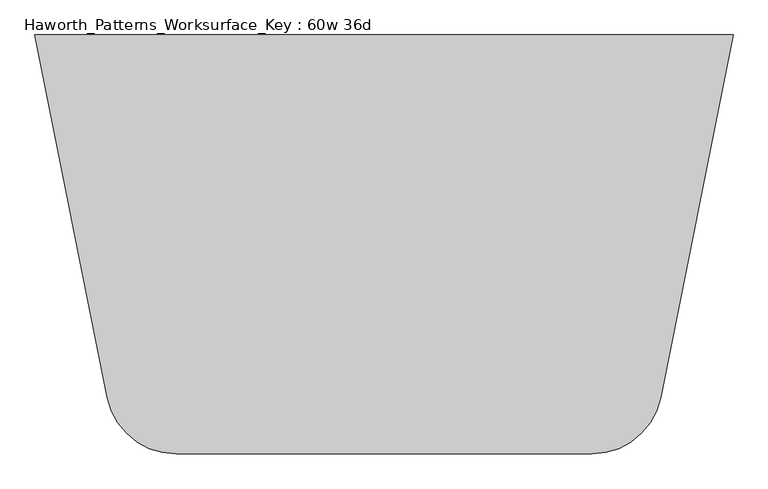
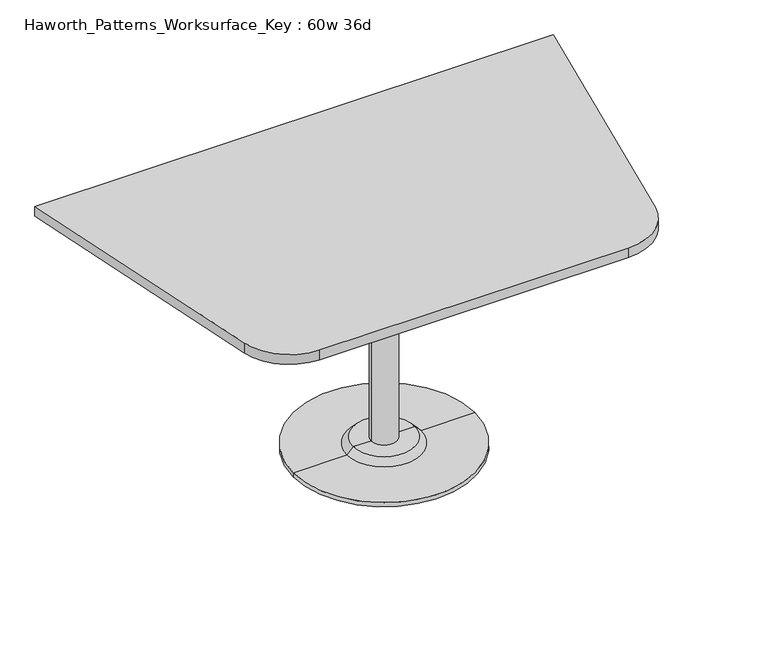
"""IFC4 building model written with IfcOpenShell, lengths in millimetres: furniture geometry, Haworth_Patterns_Worksurface_Key : 60w 36d."""

import ifcopenshell
import ifcopenshell.guid

model = None  # the IFC model being written
_history = None  # IfcOwnerHistory: only IFC2X3 demands one
_inside = {}  # id of a spatial element -> (the spatial element, [elements in it])
_under = {}  # id of a project, library or spatial element -> (it, [spatial elements below it])
_declared = {}  # id of a project -> (the project, [libraries it declares])
_typed = {}  # id of a type object -> (the type object, [elements of that type])
_made_of = {}  # id of a material, layer set ... -> (it, [elements and type objects made of it])


def new_model(schema):
    """Start an empty IFC model of exactly this schema.

    Asked for "IFC4X3", IfcOpenShell would pick the latest addendum, in which some entities
    have other attributes; the version numbers below select the first issue.
    IFC2X3 requires an IfcOwnerHistory on every rooted entity: one is made here for all.
    """
    global model, _history
    if schema == "IFC4X3":
        model = ifcopenshell.file(schema_version=(4, 3, 0, 0))
    else:
        model = ifcopenshell.file(schema=schema)
    _inside.clear()
    _under.clear()
    _declared.clear()
    _typed.clear()
    _made_of.clear()
    _history = None
    if model.schema == "IFC2X3":
        org = make("IfcOrganization", Name="unknown")
        user = make(
            "IfcPersonAndOrganization",
            ThePerson=make("IfcPerson", FamilyName="unknown"),
            TheOrganization=org,
        )
        app = make(
            "IfcApplication",
            ApplicationDeveloper=org,
            Version="unknown",
            ApplicationFullName="unknown",
            ApplicationIdentifier="unknown",
        )
        _history = make(
            "IfcOwnerHistory",
            OwningUser=user,
            OwningApplication=app,
            ChangeAction="ADDED",
            CreationDate=0,
        )
    return model


def make(cls, **values):
    """One entity of the class cls with the attributes given. An attribute that is None is left unset."""
    return model.create_entity(
        cls, **{name: value for name, value in values.items() if value is not None}
    )


def rooted(cls, **values):
    """An entity with a GlobalId (a new one), such as an element, a storey or a relation."""
    return make(cls, GlobalId=ifcopenshell.guid.new(), OwnerHistory=_history, **values)


def si_unit(unit_type, name, prefix=None):
    """IfcSIUnit, for example si_unit("LENGTHUNIT", "METRE", prefix="MILLI")."""
    return make("IfcSIUnit", UnitType=unit_type, Prefix=prefix, Name=name)


def assignment(units):
    """IfcUnitAssignment: the units of a project."""
    return None if units is None else make("IfcUnitAssignment", Units=units)


def point(xyz):
    """IfcCartesianPoint."""
    return None if xyz is None else make("IfcCartesianPoint", Coordinates=xyz)


def direction(xyz):
    """IfcDirection."""
    return None if xyz is None else make("IfcDirection", DirectionRatios=xyz)


def frame(location, z_axis=None, x_axis=None):
    """IfcAxis2Placement3D, a coordinate frame: its origin and axes. An axis left out is left unset."""
    return make(
        "IfcAxis2Placement3D",
        Location=point(location),
        Axis=direction(z_axis),
        RefDirection=direction(x_axis),
    )


def frame_2d(location, x_axis=None):
    """IfcAxis2Placement2D, a coordinate frame in the plane: its origin and x axis."""
    return make(
        "IfcAxis2Placement2D", Location=point(location), RefDirection=direction(x_axis)
    )


def origin():
    """The frame at (0, 0, 0) with its axes left unset."""
    return frame((0.0, 0.0, 0.0))


def place(relative_to, where):
    """IfcLocalPlacement: puts the frame where relative to a parent placement (None: the world)."""
    return make(
        "IfcLocalPlacement", PlacementRelTo=relative_to, RelativePlacement=where
    )


def context(
    kind, dimensions, precision=None, world=None, true_north=None, identifier=None
):
    """IfcGeometricRepresentationContext, for example the 3D "Model" context."""
    return make(
        "IfcGeometricRepresentationContext",
        ContextIdentifier=identifier,
        ContextType=kind,
        CoordinateSpaceDimension=dimensions,
        Precision=precision,
        WorldCoordinateSystem=world,
        TrueNorth=true_north,
    )


def project(units=None, contexts=None):
    """IfcProject with its units and contexts."""
    return rooted(
        "IfcProject",
        Name="project",
        RepresentationContexts=contexts,
        UnitsInContext=assignment(units),
    )


def spatial(cls, under=None, at=None, **own):
    """A site, building, storey or space (cls), placed at a placement, below another one or the project."""
    s = rooted(cls, ObjectPlacement=at, **own)
    if under is not None:
        _under.setdefault(under.id(), (under, []))[1].append(s)
    return s


def polyline(points):
    """IfcPolyline through the points."""
    return make("IfcPolyline", Points=[point(p) for p in points])


def circle_curve(where, radius):
    """IfcCircle in the frame where."""
    return make("IfcCircle", Position=where, Radius=radius)


def trimmed(basis, trim1, trim2, sense, master):
    """IfcTrimmedCurve: the piece of a basis curve between two trims."""
    return make(
        "IfcTrimmedCurve",
        BasisCurve=basis,
        Trim1=trim1,
        Trim2=trim2,
        SenseAgreement=sense,
        MasterRepresentation=master,
    )


def segment(curve, same_sense, transition):
    """IfcCompositeCurveSegment."""
    return make(
        "IfcCompositeCurveSegment",
        Transition=transition,
        SameSense=same_sense,
        ParentCurve=curve,
    )


def composite_curve(segments, self_intersect=None):
    """IfcCompositeCurve: segments joined end to end."""
    return make("IfcCompositeCurve", Segments=segments, SelfIntersect=self_intersect)


def outline(outer, holes=None, kind="AREA"):
    """IfcArbitraryClosedProfileDef: a profile drawn as a closed curve; with holes, ...WithVoids."""
    if holes is None:
        return make("IfcArbitraryClosedProfileDef", ProfileType=kind, OuterCurve=outer)
    return make(
        "IfcArbitraryProfileDefWithVoids",
        ProfileType=kind,
        OuterCurve=outer,
        InnerCurves=holes,
    )


def extrude(swept, where, along, depth):
    """IfcExtrudedAreaSolid: the profile swept, set in the frame where, extruded along a direction by depth."""
    return make(
        "IfcExtrudedAreaSolid",
        SweptArea=swept,
        Position=where,
        ExtrudedDirection=direction(along),
        Depth=depth,
    )


def shape(context_of_items, identifier, shape_type, items):
    """IfcShapeRepresentation: the items that make up one representation, for example the "Body"."""
    return make(
        "IfcShapeRepresentation",
        ContextOfItems=context_of_items,
        RepresentationIdentifier=identifier,
        RepresentationType=shape_type,
        Items=items,
    )


def source(mapping_origin, context_of_items, identifier, shape_type, items):
    """IfcRepresentationMap: a shape defined once, which mapped items show again and again."""
    return make(
        "IfcRepresentationMap",
        MappingOrigin=mapping_origin,
        MappedRepresentation=shape(context_of_items, identifier, shape_type, items),
    )


def transform(
    local_origin,
    x_axis=None,
    y_axis=None,
    z_axis=None,
    scale=None,
    scale2=None,
    scale3=None,
    uniform=True,
):
    """IfcCartesianTransformationOperator3D, or its non-uniform kind. x_axis, y_axis, z_axis: its Axis1, 2, 3."""
    if uniform:
        return make(
            "IfcCartesianTransformationOperator3D",
            Axis1=direction(x_axis),
            Axis2=direction(y_axis),
            LocalOrigin=point(local_origin),
            Scale=scale,
            Axis3=direction(z_axis),
        )
    return make(
        "IfcCartesianTransformationOperator3DnonUniform",
        Axis1=direction(x_axis),
        Axis2=direction(y_axis),
        LocalOrigin=point(local_origin),
        Scale=scale,
        Axis3=direction(z_axis),
        Scale2=scale2,
        Scale3=scale3,
    )


def mapped(mapping_source, mapping_target):
    """IfcMappedItem: shows the shape of a source again, moved by a transform."""
    return make(
        "IfcMappedItem", MappingSource=mapping_source, MappingTarget=mapping_target
    )


def made_of(thing, what):
    """Note that an element or type object is made of a material, layer set ...; save() writes the relation."""
    if what is not None:
        _made_of.setdefault(what.id(), (what, []))[1].append(thing)
    return thing


def element(
    cls,
    number,
    at=None,
    inside=None,
    cuts=None,
    type_object=None,
    material=None,
    context=None,
    identifier="Body",
    shape_type=None,
    held_by="IfcProductDefinitionShape",
    body=None,
    shapes=None,
    **own,
):
    """One element of the class cls, such as IfcWall. Its Tag is "e" and its number.

    at: its placement. inside: the storey or other place that contains it. cuts: it is an
    opening in that element (IfcRelVoidsElement). A single representation is given by context,
    identifier, shape_type and body (its items); several are given by shapes. held_by: the class
    of the entity that holds the representations. save() writes the other relations.
    """
    e = rooted(cls, Tag="e%d" % number, ObjectPlacement=at, **own)
    if body is not None:
        shapes = [shape(context, identifier, shape_type, body)]
    if shapes is not None:
        e.Representation = make(held_by, Representations=shapes)
    if inside is not None:
        _inside.setdefault(inside.id(), (inside, []))[1].append(e)
    if cuts is not None:
        rooted(
            "IfcRelVoidsElement", RelatingBuildingElement=cuts, RelatedOpeningElement=e
        )
    if type_object is not None:
        _typed.setdefault(type_object.id(), (type_object, []))[1].append(e)
    return made_of(e, material)


def aggregate(whole, parts):
    """IfcRelAggregates: a whole, such as a stair, and the parts it consists of."""
    return rooted("IfcRelAggregates", RelatingObject=whole, RelatedObjects=parts)


def save(model, path):
    """Write the relations noted so far, then the file.

    IfcRelAggregates (storeys below a building ...), IfcRelContainedInSpatialStructure (elements
    in a storey), IfcRelDefinesByType, IfcRelAssociatesMaterial and IfcRelDeclares: one each for
    every whole, place, type object, material and project.
    """
    for whole, parts in _under.values():
        aggregate(whole, parts)
    for where, things in _inside.values():
        rooted(
            "IfcRelContainedInSpatialStructure",
            RelatedElements=things,
            RelatingStructure=where,
        )
    for kind, things in _typed.values():
        rooted("IfcRelDefinesByType", RelatedObjects=things, RelatingType=kind)
    for what, things in _made_of.values():
        rooted("IfcRelAssociatesMaterial", RelatedObjects=things, RelatingMaterial=what)
    for by, libraries in _declared.values():
        rooted("IfcRelDeclares", RelatingContext=by, RelatedDefinitions=libraries)
    model.write(path)


def plane_surface(at):
    """IfcPlane: the flat surface through the origin of the frame at, square to its z axis."""
    return make("IfcPlane", Position=at)


def cylinder_surface(at, radius):
    """IfcCylindricalSurface: all points at the distance radius from the z axis of the frame at."""
    return make("IfcCylindricalSurface", Position=at, Radius=radius)


def revolved_surface(curve, axis_point, axis_direction):
    """IfcSurfaceOfRevolution: the curve turned about the line through axis_point along axis_direction."""
    return make(
        "IfcSurfaceOfRevolution",
        SweptCurve=make("IfcArbitraryOpenProfileDef", ProfileType="CURVE", Curve=curve),
        AxisPosition=make("IfcAxis1Placement", Location=point(axis_point), Axis=direction(axis_direction)),
    )


def advanced_brep(points, edges, surfaces, faces):
    """IfcAdvancedBrep: a solid bounded by faces that lie on surfaces and meet in shared edges.

    An edge is (start, end): straight between two places in points (the first is 0);
    or (start, end, curve); or (start, end, curve, False) where it runs against its curve.
    A face is (place in surfaces, loops), or (place, loops, False) where it looks against
    its surface's normal. A loop lists edges by number (the first is 1), with a minus sign
    where the edge is run from its end to its start. The first loop is the outer one.
    """
    corners = [point(p) for p in points]
    vertices = [make("IfcVertexPoint", VertexGeometry=c) for c in corners]
    made = []
    for start, end, *more in edges:
        made.append(
            make(
                "IfcEdgeCurve",
                EdgeStart=vertices[start],
                EdgeEnd=vertices[end],
                EdgeGeometry=more[0] if more else make("IfcPolyline", Points=[corners[start], corners[end]]),
                SameSense=more[1] if len(more) > 1 else True,
            )
        )
    hull = []
    for where, loops, *sense in faces:
        bounds = []
        for j, loop in enumerate(loops):
            ring = [make("IfcOrientedEdge", EdgeElement=made[abs(k) - 1], Orientation=k > 0) for k in loop]
            bounds.append(
                make(
                    "IfcFaceOuterBound" if j == 0 else "IfcFaceBound",
                    Bound=make("IfcEdgeLoop", EdgeList=ring),
                    Orientation=True,
                )
            )
        hull.append(make("IfcAdvancedFace", Bounds=bounds, FaceSurface=surfaces[where], SameSense=sense[0] if sense else True))
    return make("IfcAdvancedBrep", Outer=make("IfcClosedShell", CfsFaces=hull))


def haworth_patterns_worksurface_key_60w_36d_4189de21(model_context):
    return source(origin(), model_context, "Body", "SolidModel", [
        advanced_brep(
        [(38.1, 139.7, 706.4375), (-38.1, 139.7, 706.4375), (0.0, 139.7, 706.4375), (38.1, 139.7, 31.75), (-38.1, 139.7, 31.75), (89.723978, 139.7, 31.75), (-89.723978, 139.7, 31.75), (266.7, 139.7, 0.0), (-266.7, 139.7, 0.0), (-266.7, 139.7, 12.7), (266.7, 139.7, 12.7), (0.0, 139.7, 0.0), (108.773978, 139.7, 12.7), (-108.773978, 139.7, 12.7)],
        [
            (0, 1, circle_curve(frame((0.0, 139.7, 706.4375), z_axis=(0.0, 0.0, 1.0), x_axis=(-1.0, 0.0, 0.0)), 38.1)),
            (1, 2),
            (2, 0),
            (1, 0, circle_curve(frame((0.0, 139.7, 706.4375), z_axis=(0.0, 0.0, 1.0), x_axis=(-1.0, 0.0, 0.0)), 38.1)),
            (3, 4, circle_curve(frame((0.0, 139.7, 31.75), z_axis=(0.0, 0.0, 1.0), x_axis=(-1.0, 0.0, 0.0)), 38.1)),
            (4, 1),
            (0, 3),
            (4, 3, circle_curve(frame((0.0, 139.7, 31.75), z_axis=(0.0, 0.0, 1.0), x_axis=(-1.0, 0.0, 0.0)), 38.1)),
            (5, 6, circle_curve(frame((0.0, 139.7, 31.75), z_axis=(0.0, 0.0, 1.0), x_axis=(-1.0, 0.0, 0.0)), 89.723978)),
            (6, 4),
            (3, 5),
            (6, 5, circle_curve(frame((0.0, 139.7, 31.75), z_axis=(0.0, 0.0, 1.0), x_axis=(-1.0, 0.0, 0.0)), 89.723978)),
            (7, 8, circle_curve(frame((0.0, 139.7, 0.0), z_axis=(0.0, 0.0, 1.0), x_axis=(-1.0, 0.0, 0.0)), 266.7)),
            (8, 9),
            (9, 10, circle_curve(frame((0.0, 139.7, 12.7), z_axis=(0.0, 0.0, -1.0), x_axis=(-1.0, 0.0, 0.0)), 266.7)),
            (10, 7),
            (8, 7, circle_curve(frame((0.0, 139.7, 0.0), z_axis=(0.0, 0.0, 1.0), x_axis=(-1.0, 0.0, 0.0)), 266.7)),
            (10, 9, circle_curve(frame((0.0, 139.7, 12.7), z_axis=(0.0, 0.0, -1.0), x_axis=(-1.0, 0.0, 0.0)), 266.7)),
            (11, 8),
            (7, 11),
            (12, 13, circle_curve(frame((0.0, 139.7, 12.7), z_axis=(0.0, 0.0, 1.0), x_axis=(-1.0, 0.0, 0.0)), 108.773978)),
            (13, 6),
            (5, 12),
            (13, 12, circle_curve(frame((0.0, 139.7, 12.7), z_axis=(0.0, 0.0, 1.0), x_axis=(-1.0, 0.0, 0.0)), 108.773978)),
            (9, 13),
            (12, 10),
        ],
        [
            plane_surface(frame((0.0, 139.7, 706.4375), z_axis=(0.0, 0.0, 1.0), x_axis=(-1.0, 0.0, 0.0))),
            cylinder_surface(frame((0.0, 139.7, 889.623257), z_axis=(0.0, 0.0, -1.0), x_axis=(-1.0, 0.0, 0.0)), 38.1),
            plane_surface(frame((0.0, 139.7, 31.75), z_axis=(0.0, 0.0, 1.0), x_axis=(-1.0, 0.0, 0.0))),
            cylinder_surface(frame((0.0, 139.7, 889.623257), z_axis=(0.0, 0.0, -1.0), x_axis=(-1.0, 0.0, 0.0)), 266.7),
            plane_surface(frame((0.0, 139.7, 0.0), z_axis=(0.0, 0.0, -1.0), x_axis=(-1.0, 0.0, 0.0))),
            revolved_surface(polyline([(-89.723978, 139.7, 31.75), (-108.773978, 139.7, 12.7)]), (0.0, 139.7, 889.623257), (0.0, 0.0, -1.0)),
            plane_surface(frame((0.0, 139.7, 12.7), z_axis=(0.0, 0.0, 1.0), x_axis=(-1.0, 0.0, 0.0))),
        ],
        [
            (0, [[1, 2, 3]]),
            (0, [[4, -3, -2]]),
            (1, [[5, 6, -1, 7]]),
            (1, [[8, -7, -4, -6]]),
            (2, [[9, 10, -5, 11]]),
            (2, [[12, -11, -8, -10]]),
            (3, [[13, 14, 15, 16]]),
            (3, [[17, -16, 18, -14]]),
            (4, [[19, -13, 20]]),
            (4, [[-20, -17, -19]]),
            (5, [[21, 22, -9, 23]]),
            (5, [[24, -23, -12, -22]]),
            (6, [[-15, 25, -21, 26]]),
            (6, [[-18, -26, -24, -25]]),
        ],
    ),
        extrude(outline(composite_curve([segment(polyline([(762.0, 596.9), (603.6223802, -194.988099)]), True, "CONTINUOUS"), segment(trimmed(circle_curve(frame_2d((454.1818852, -165.1)), 152.4), [point((603.6223802, -194.988099))], [point((454.1818852, -317.5))], False, "CARTESIAN"), True, "CONTINUOUS"), segment(polyline([(454.1818852, -317.5), (-454.1818852, -317.5)]), True, "CONTINUOUS"), segment(trimmed(circle_curve(frame_2d((-454.1818852, -165.1)), 152.4), [point((-454.1818852, -317.5))], [point((-603.6223802, -194.988099))], False, "CARTESIAN"), True, "CONTINUOUS"), segment(polyline([(-603.6223802, -194.988099), (-762.0, 596.9), (762.0, 596.9)]), True, "CONTINUOUS")], self_intersect=False)), frame((0.0, 0.0, 706.4375), z_axis=(0.0, 0.0, 1.0), x_axis=(1.0, 0.0, 0.0)), (0.0, 0.0, 1.0), 30.1625),
    ])


if __name__ == "__main__":
    model = new_model("IFC4")
    model_context = context("Model", 3, world=origin())
    ifc_project = project(units=[si_unit("LENGTHUNIT", "METRE", prefix="MILLI")], contexts=[model_context])
    site = spatial("IfcSite", under=ifc_project)
    building = spatial("IfcBuilding", under=site)
    placement = place(None, origin())
    haworth_patterns_worksurface_key_60w_36d_shape = haworth_patterns_worksurface_key_60w_36d_4189de21(model_context)
    element("IfcFurniture", 1, ObjectType="Haworth_Patterns_Worksurface_Key : 60w 36d", at=placement, inside=building, context=model_context, shape_type="MappedRepresentation", body=[
        mapped(haworth_patterns_worksurface_key_60w_36d_shape, transform((0.0, 0.0, 0.0), x_axis=(1.0, 0.0, 0.0), y_axis=(0.0, 1.0, 0.0), z_axis=(0.0, 0.0, 1.0))),
    ])
    save(model, "model.ifc")
